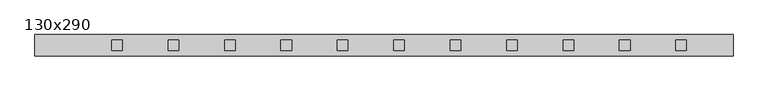
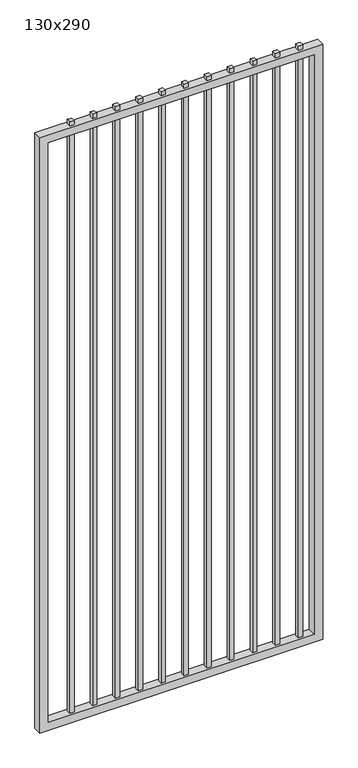
"""IFC4 building model written with IfcOpenShell, lengths in millimetres: proxy geometry, 130x290."""

from ifc_helpers import new_model, si_unit, frame, origin, place, context, project, spatial, polyline, outline, extrude, source, transform, mapped, element, save


def proxy_130x290_72562b6b(model_context):
    return source(origin(), model_context, "Body", "SweptSolid", [
        extrude(outline(polyline([(1203.325, 9.525), (1203.325, -9.525), (1184.275, -9.525), (1184.275, 9.525), (1203.325, 9.525)])), frame((0.0, 0.0, 139.7), z_axis=(0.0, 0.0, 1.0), x_axis=(1.0, 0.0, 0.0)), (0.0, 0.0, 1.0), 2780.0),
        extrude(outline(polyline([(1101.725, 9.525), (1101.725, -9.525), (1082.675, -9.525), (1082.675, 9.525), (1101.725, 9.525)])), frame((0.0, 0.0, 139.7), z_axis=(0.0, 0.0, 1.0), x_axis=(1.0, 0.0, 0.0)), (0.0, 0.0, 1.0), 2780.0),
        extrude(outline(polyline([(1000.125, 9.525), (1000.125, -9.525), (981.075, -9.525), (981.075, 9.525), (1000.125, 9.525)])), frame((0.0, 0.0, 139.7), z_axis=(0.0, 0.0, 1.0), x_axis=(1.0, 0.0, 0.0)), (0.0, 0.0, 1.0), 2780.0),
        extrude(outline(polyline([(898.525, 9.525), (898.525, -9.525), (879.475, -9.525), (879.475, 9.525), (898.525, 9.525)])), frame((0.0, 0.0, 139.7), z_axis=(0.0, 0.0, 1.0), x_axis=(1.0, 0.0, 0.0)), (0.0, 0.0, 1.0), 2780.0),
        extrude(outline(polyline([(796.925, 9.525), (796.925, -9.525), (777.875, -9.525), (777.875, 9.525), (796.925, 9.525)])), frame((0.0, 0.0, 139.7), z_axis=(0.0, 0.0, 1.0), x_axis=(1.0, 0.0, 0.0)), (0.0, 0.0, 1.0), 2780.0),
        extrude(outline(polyline([(695.325, 9.525), (695.325, -9.525), (676.275, -9.525), (676.275, 9.525), (695.325, 9.525)])), frame((0.0, 0.0, 139.7), z_axis=(0.0, 0.0, 1.0), x_axis=(1.0, 0.0, 0.0)), (0.0, 0.0, 1.0), 2780.0),
        extrude(outline(polyline([(593.725, 9.525), (593.725, -9.525), (574.675, -9.525), (574.675, 9.525), (593.725, 9.525)])), frame((0.0, 0.0, 139.7), z_axis=(0.0, 0.0, 1.0), x_axis=(1.0, 0.0, 0.0)), (0.0, 0.0, 1.0), 2780.0),
        extrude(outline(polyline([(492.125, 9.525), (492.125, -9.525), (473.075, -9.525), (473.075, 9.525), (492.125, 9.525)])), frame((0.0, 0.0, 139.7), z_axis=(0.0, 0.0, 1.0), x_axis=(1.0, 0.0, 0.0)), (0.0, 0.0, 1.0), 2780.0),
        extrude(outline(polyline([(390.525, 9.525), (390.525, -9.525), (371.475, -9.525), (371.475, 9.525), (390.525, 9.525)])), frame((0.0, 0.0, 139.7), z_axis=(0.0, 0.0, 1.0), x_axis=(1.0, 0.0, 0.0)), (0.0, 0.0, 1.0), 2780.0),
        extrude(outline(polyline([(288.925, 9.525), (288.925, -9.525), (269.875, -9.525), (269.875, 9.525), (288.925, 9.525)])), frame((0.0, 0.0, 139.7), z_axis=(0.0, 0.0, 1.0), x_axis=(1.0, 0.0, 0.0)), (0.0, 0.0, 1.0), 2780.0),
        extrude(outline(polyline([(187.325, 9.525), (187.325, -9.525), (168.275, -9.525), (168.275, 9.525), (187.325, 9.525)])), frame((0.0, 0.0, 139.7), z_axis=(0.0, 0.0, 1.0), x_axis=(1.0, 0.0, 0.0)), (0.0, 0.0, 1.0), 2780.0),
        extrude(outline(polyline([(101.6, 1287.3), (2900.0, 1287.3), (2900.0, 30.0), (101.6, 30.0), (101.6, 1287.3)]), holes=[polyline([(2861.9, 1249.2), (139.7, 1249.2), (139.7, 68.1), (2861.9, 68.1), (2861.9, 1249.2)])]), frame((0.0, -19.05, 0.0), z_axis=(0.0, 1.0, 0.0), x_axis=(0.0, 0.0, 1.0)), (0.0, 0.0, 1.0), 38.1),
    ])


if __name__ == "__main__":
    model = new_model("IFC4")
    model_context = context("Model", 3, world=origin())
    ifc_project = project(units=[si_unit("LENGTHUNIT", "METRE", prefix="MILLI")], contexts=[model_context])
    site = spatial("IfcSite", under=ifc_project)
    building = spatial("IfcBuilding", under=site)
    placement = place(None, origin())
    proxy_130x290_shape = proxy_130x290_72562b6b(model_context)
    element("IfcBuildingElementProxy", 1, Name="130x290", ObjectType="130x290", at=placement, inside=building, context=model_context, shape_type="MappedRepresentation", body=[
        mapped(proxy_130x290_shape, transform((0.0, 0.0, 0.0), x_axis=(1.0, 0.0, 0.0), y_axis=(0.0, 1.0, 0.0), z_axis=(0.0, 0.0, 1.0))),
    ])
    save(model, "model.ifc")
